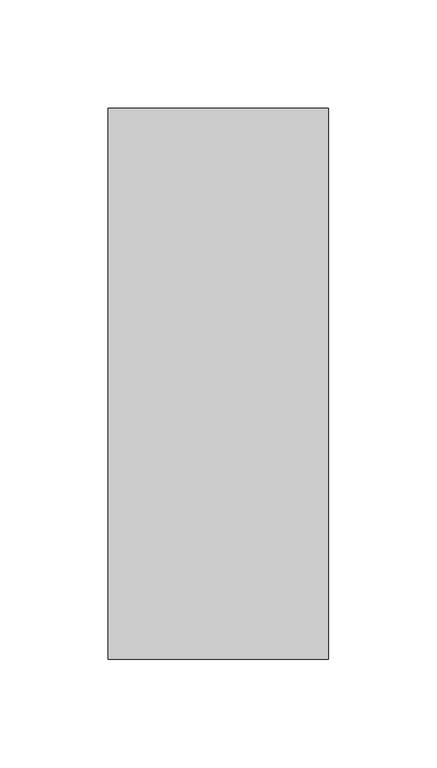
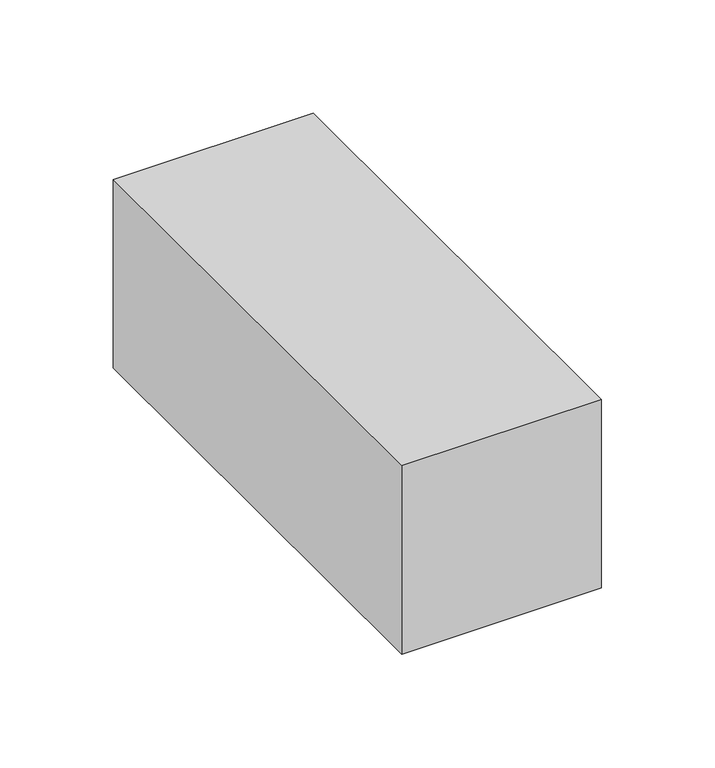
"""IFC4 building model written with IfcOpenShell, lengths in millimetres: proxy geometry."""

from ifc_helpers import new_model, si_unit, point, frame, frame_2d, origin, origin_with_axes, place, context, project, spatial, polyline, circle_curve, trimmed, segment, composite_curve, outline, extrude, source, transform, mapped, element, save
from ifc_brep_helpers import plane_surface, cylinder_surface, revolved_surface, advanced_brep


def specialty_equipment_dfd23612(model_context):
    return source(origin(), model_context, "Body", "SolidModel", [
        extrude(outline(polyline([(-50.8, -254.0), (-50.8, 0.0), (50.8, 0.0), (50.8, -254.0), (-50.8, -254.0)])), origin_with_axes(), (0.0, 0.0, 1.0), 101.6),
        extrude(outline(composite_curve([segment(trimmed(circle_curve(frame_2d((0.0, -43.7511243)), 11.1125), [point((-11.1125, -43.7511243))], [point((11.1125, -43.7511243))], False, "CARTESIAN"), True, "CONTINUOUS"), segment(trimmed(circle_curve(frame_2d((0.0, -43.7511243)), 11.1125), [point((11.1125, -43.7511243))], [point((-11.1125, -43.7511243))], False, "CARTESIAN"), True, "CONTINUOUS")], self_intersect=False)), origin_with_axes(), (0.0, 0.0, 1.0), 12.1432676),
        extrude(outline(composite_curve([segment(trimmed(circle_curve(frame_2d((0.0, -43.7511243)), 6.35), [point((-6.35, -43.7511243))], [point((6.35, -43.7511243))], False, "CARTESIAN"), True, "CONTINUOUS"), segment(trimmed(circle_curve(frame_2d((0.0, -43.7511243)), 6.35), [point((6.35, -43.7511243))], [point((-6.35, -43.7511243))], False, "CARTESIAN"), True, "CONTINUOUS")], self_intersect=False)), frame((0.0, 0.0, 12.1432676), z_axis=(0.0, 0.0, 1.0), x_axis=(1.0, 0.0, 0.0)), (0.0, 0.0, 1.0), 11.6740858),
        extrude(outline(composite_curve([segment(trimmed(circle_curve(frame_2d((0.0, -43.7511243)), 11.1125), [point((-11.1125, -43.7511243))], [point((11.1125, -43.7511243))], False, "CARTESIAN"), True, "CONTINUOUS"), segment(trimmed(circle_curve(frame_2d((0.0, -43.7511243)), 11.1125), [point((11.1125, -43.7511243))], [point((-11.1125, -43.7511243))], False, "CARTESIAN"), True, "CONTINUOUS")], self_intersect=False)), frame((0.0, 0.0, 12.8429111), z_axis=(0.0, 0.0, 1.0), x_axis=(1.0, 0.0, 0.0)), (0.0, 0.0, 1.0), 3.7345018),
        advanced_brep(
        [(0.0, -195.0035492, 41.6430751), (0.0, -195.0035492, 28.9430751), (0.0, -77.2962509, 43.2305751), (0.0, -77.2962509, 27.3555751)],
        [
            (0, 1, circle_curve(frame((0.0, -195.0035492, 35.2930751), z_axis=(0.0, -1.0, 0.0), x_axis=(0.0, 0.0, -1.0)), 6.35)),
            (1, 0, circle_curve(frame((0.0, -195.0035492, 35.2930751), z_axis=(0.0, -1.0, 0.0), x_axis=(0.0, 0.0, 1.0)), 6.35)),
            (2, 3, circle_curve(frame((0.0, -77.2962509, 35.2930751), z_axis=(0.0, 1.0, 0.0), x_axis=(0.0, 0.0, 1.0)), 7.9375)),
            (3, 2, circle_curve(frame((0.0, -77.2962509, 35.2930751), z_axis=(0.0, 1.0, 0.0), x_axis=(0.0, 0.0, -1.0)), 7.9375)),
            (2, 0),
            (1, 3),
        ],
        [
            plane_surface(frame((0.0, -195.0035492, 35.2930751), z_axis=(0.0, -1.0, 0.0), x_axis=(1.0, 0.0, 0.0))),
            plane_surface(frame((0.0, -77.2962509, 35.2930751), z_axis=(0.0, 1.0, 0.0), x_axis=(1.0, 0.0, 0.0))),
            revolved_surface(polyline([(0.0, -195.0035492, 41.64307510053948), (0.0, -77.29625090000002, 43.2305751)]), (0.0, -665.8327426, 35.2930751), (0.0, 1.0, 0.0)),
            revolved_surface(polyline([(0.0, -195.0035492, 28.943075099460525), (0.0, -77.29625090000002, 27.3555751)]), (0.0, -665.8327426, 35.2930751), (0.0, 1.0, 0.0)),
        ],
        [
            (0, [[1, 2]]),
            (1, [[3, 4]]),
            (2, [[5, -2, 6, -3]]),
            (3, [[-6, -1, -5, -4]]),
        ],
    ),
        extrude(outline(composite_curve([segment(trimmed(circle_curve(frame_2d((0.0, -56.2938544)), 15.875), [point((-15.875, -56.2938544))], [point((15.875, -56.2938544))], False, "CARTESIAN"), True, "CONTINUOUS"), segment(trimmed(circle_curve(frame_2d((0.0, -56.2938544)), 15.875), [point((15.875, -56.2938544))], [point((-15.875, -56.2938544))], False, "CARTESIAN"), True, "CONTINUOUS")], self_intersect=False)), frame((0.0, 0.0, 73.7139717), z_axis=(0.0, 0.0, 1.0), x_axis=(1.0, 0.0, 0.0)), (0.0, 0.0, 1.0), 9.1021363),
        advanced_brep(
        [(0.0, -197.9462509, 44.8180751), (0.0, -197.9462509, 25.7680751), (0.0, -77.2962509, 46.4055751), (0.0, -77.2962509, 24.1805751)],
        [
            (0, 1, circle_curve(frame((0.0, -197.9462509, 35.2930751), z_axis=(0.0, -1.0, 0.0), x_axis=(0.0, 0.0, -1.0)), 9.525)),
            (1, 0, circle_curve(frame((0.0, -197.9462509, 35.2930751), z_axis=(0.0, -1.0, 0.0), x_axis=(0.0, 0.0, 1.0)), 9.525)),
            (2, 3, circle_curve(frame((0.0, -77.2962509, 35.2930751), z_axis=(0.0, 1.0, 0.0), x_axis=(0.0, 0.0, 1.0)), 11.1125)),
            (3, 2, circle_curve(frame((0.0, -77.2962509, 35.2930751), z_axis=(0.0, 1.0, 0.0), x_axis=(0.0, 0.0, -1.0)), 11.1125)),
            (2, 0),
            (1, 3),
        ],
        [
            plane_surface(frame((0.0, -197.9462509, 35.2930751), z_axis=(0.0, -1.0, 0.0), x_axis=(1.0, 0.0, 0.0))),
            plane_surface(frame((0.0, -77.2962509, 35.2930751), z_axis=(0.0, 1.0, 0.0), x_axis=(1.0, 0.0, 0.0))),
            revolved_surface(polyline([(0.0, -197.9462509, 44.8180751), (0.0, -77.29625090000002, 46.4055751)]), (0.0, -921.8462509, 35.2930751), (0.0, 1.0, 0.0)),
            revolved_surface(polyline([(0.0, -197.9462509, 25.768075099999997), (0.0, -77.29625090000002, 24.1805751)]), (0.0, -921.8462509, 35.2930751), (0.0, 1.0, 0.0)),
        ],
        [
            (0, [[1, 2]]),
            (1, [[3, 4]]),
            (2, [[5, -2, 6, -3]]),
            (3, [[-6, -1, -5, -4]]),
        ],
    ),
        advanced_brep(
        [(16.4405012, -77.2962509, 35.2930751), (0.0, -77.2962509, 35.2930751), (-16.4405012, -77.2962509, 35.2930751), (17.4336479, -76.3031042, 35.2930751), (-17.4336479, -76.3031042, 35.2930751), (17.4336479, -64.5962509, 35.2930751), (-17.4336479, -64.5962509, 35.2930751), (14.6960919, -64.5962509, 35.2930751), (-14.6960919, -64.5962509, 35.2930751), (14.6960919, -63.5321613, 35.2930751), (-14.6960919, -63.5321613, 35.2930751), (15.9348033, -63.5321613, 35.2930751), (-15.9348033, -63.5321613, 35.2930751), (15.9348033, -33.3696613, 35.2930751), (-15.9348033, -33.3696613, 35.2930751), (8.893951, -30.7772209, 35.2930751), (-8.893951, -30.7772209, 35.2930751), (4.4469755, -30.7772209, 35.2930751), (-4.4469755, -30.7772209, 35.2930751), (4.4469755, -25.4, 35.2930751), (-4.4469755, -25.4, 35.2930751), (0.0, -25.4, 35.2930751)],
        [
            (0, 1),
            (1, 2),
            (2, 0, circle_curve(frame((0.0, -77.2962509, 35.2930751), z_axis=(0.0, -1.0, 0.0), x_axis=(-1.0, 0.0, 0.0)), 16.4405012)),
            (0, 2, circle_curve(frame((0.0, -77.2962509, 35.2930751), z_axis=(0.0, -1.0, 0.0), x_axis=(-1.0, 0.0, 0.0)), 16.4405012)),
            (3, 0),
            (2, 4),
            (4, 3, circle_curve(frame((0.0, -76.3031042, 35.2930751), z_axis=(0.0, -1.0, 0.0), x_axis=(-1.0, 0.0, 0.0)), 17.4336479)),
            (3, 4, circle_curve(frame((0.0, -76.3031042, 35.2930751), z_axis=(0.0, -1.0, 0.0), x_axis=(-1.0, 0.0, 0.0)), 17.4336479)),
            (5, 3),
            (4, 6),
            (6, 5, circle_curve(frame((0.0, -64.5962509, 35.2930751), z_axis=(0.0, -1.0, 0.0), x_axis=(-1.0, 0.0, 0.0)), 17.4336479)),
            (5, 6, circle_curve(frame((0.0, -64.5962509, 35.2930751), z_axis=(0.0, -1.0, 0.0), x_axis=(-1.0, 0.0, 0.0)), 17.4336479)),
            (7, 5),
            (6, 8),
            (8, 7, circle_curve(frame((0.0, -64.5962509, 35.2930751), z_axis=(0.0, -1.0, 0.0), x_axis=(-1.0, 0.0, 0.0)), 14.6960919)),
            (7, 8, circle_curve(frame((0.0, -64.5962509, 35.2930751), z_axis=(0.0, -1.0, 0.0), x_axis=(-1.0, 0.0, 0.0)), 14.6960919)),
            (9, 7),
            (8, 10),
            (10, 9, circle_curve(frame((0.0, -63.5321613, 35.2930751), z_axis=(0.0, -1.0, 0.0), x_axis=(-1.0, 0.0, 0.0)), 14.6960919)),
            (9, 10, circle_curve(frame((0.0, -63.5321613, 35.2930751), z_axis=(0.0, -1.0, 0.0), x_axis=(-1.0, 0.0, 0.0)), 14.6960919)),
            (11, 9),
            (10, 12),
            (12, 11, circle_curve(frame((0.0, -63.5321613, 35.2930751), z_axis=(0.0, -1.0, 0.0), x_axis=(-1.0, 0.0, 0.0)), 15.9348033)),
            (11, 12, circle_curve(frame((0.0, -63.5321613, 35.2930751), z_axis=(0.0, -1.0, 0.0), x_axis=(-1.0, 0.0, 0.0)), 15.9348033)),
            (13, 11),
            (12, 14),
            (14, 13, circle_curve(frame((0.0, -33.3696613, 35.2930751), z_axis=(0.0, -1.0, 0.0), x_axis=(-1.0, 0.0, 0.0)), 15.9348033)),
            (13, 14, circle_curve(frame((0.0, -33.3696613, 35.2930751), z_axis=(0.0, -1.0, 0.0), x_axis=(-1.0, 0.0, 0.0)), 15.9348033)),
            (15, 13),
            (14, 16),
            (16, 15, circle_curve(frame((0.0, -30.7772209, 35.2930751), z_axis=(0.0, -1.0, 0.0), x_axis=(-1.0, 0.0, 0.0)), 8.893951)),
            (15, 16, circle_curve(frame((0.0, -30.7772209, 35.2930751), z_axis=(0.0, -1.0, 0.0), x_axis=(-1.0, 0.0, 0.0)), 8.893951)),
            (17, 15),
            (16, 18),
            (18, 17, circle_curve(frame((0.0, -30.7772209, 35.2930751), z_axis=(0.0, -1.0, 0.0), x_axis=(-1.0, 0.0, 0.0)), 4.4469755)),
            (17, 18, circle_curve(frame((0.0, -30.7772209, 35.2930751), z_axis=(0.0, -1.0, 0.0), x_axis=(-1.0, 0.0, 0.0)), 4.4469755)),
            (19, 17),
            (18, 20),
            (20, 19, circle_curve(frame((0.0, -25.4, 35.2930751), z_axis=(0.0, -1.0, 0.0), x_axis=(-1.0, 0.0, 0.0)), 4.4469755)),
            (19, 20, circle_curve(frame((0.0, -25.4, 35.2930751), z_axis=(0.0, -1.0, 0.0), x_axis=(-1.0, 0.0, 0.0)), 4.4469755)),
            (21, 19),
            (20, 21),
        ],
        [
            plane_surface(frame((0.0, -77.2962509, 35.2930751), z_axis=(0.0, -1.0, 0.0), x_axis=(-1.0, 0.0, 0.0))),
            revolved_surface(polyline([(-16.4405012, -77.2962509, 35.2930751), (-17.4336479, -76.3031042, 35.2930751)]), (0.0, -77.2962509, 35.2930751), (0.0, 1.0, 0.0)),
            cylinder_surface(frame((0.0, -77.2962509, 35.2930751), z_axis=(0.0, 1.0, 0.0), x_axis=(-1.0, 0.0, 0.0)), 17.4336479),
            plane_surface(frame((0.0, -64.5962509, 35.2930751), z_axis=(0.0, 1.0, 0.0), x_axis=(-1.0, 0.0, 0.0))),
            cylinder_surface(frame((0.0, -77.2962509, 35.2930751), z_axis=(0.0, 1.0, 0.0), x_axis=(-1.0, 0.0, 0.0)), 14.6960919),
            plane_surface(frame((0.0, -63.5321613, 35.2930751), z_axis=(0.0, -1.0, 0.0), x_axis=(-1.0, 0.0, 0.0))),
            cylinder_surface(frame((0.0, -77.2962509, 35.2930751), z_axis=(0.0, 1.0, 0.0), x_axis=(-1.0, 0.0, 0.0)), 15.9348033),
            revolved_surface(polyline([(-15.9348033, -33.3696613, 35.2930751), (-8.893951, -30.7772209, 35.2930751)]), (0.0, -77.2962509, 35.2930751), (0.0, 1.0, 0.0)),
            plane_surface(frame((0.0, -30.7772209, 35.2930751), z_axis=(0.0, 1.0, 0.0), x_axis=(-1.0, 0.0, 0.0))),
            cylinder_surface(frame((0.0, -77.2962509, 35.2930751), z_axis=(0.0, 1.0, 0.0), x_axis=(-1.0, 0.0, 0.0)), 4.4469755),
            plane_surface(frame((0.0, -25.4, 35.2930751), z_axis=(0.0, 1.0, 0.0), x_axis=(-1.0, 0.0, 0.0))),
        ],
        [
            (0, [[1, 2, 3]]),
            (0, [[-2, -1, 4]]),
            (1, [[5, -3, 6, 7]]),
            (1, [[-6, -4, -5, 8]]),
            (2, [[9, -7, 10, 11]]),
            (2, [[-10, -8, -9, 12]]),
            (3, [[13, -11, 14, 15]]),
            (3, [[-14, -12, -13, 16]]),
            (4, [[17, -15, 18, 19]]),
            (4, [[-18, -16, -17, 20]]),
            (5, [[21, -19, 22, 23]]),
            (5, [[-22, -20, -21, 24]]),
            (6, [[25, -23, 26, 27]]),
            (6, [[-26, -24, -25, 28]]),
            (7, [[29, -27, 30, 31]]),
            (7, [[-30, -28, -29, 32]]),
            (8, [[33, -31, 34, 35]]),
            (8, [[-34, -32, -33, 36]]),
            (9, [[37, -35, 38, 39]]),
            (9, [[-38, -36, -37, 40]]),
            (10, [[41, -39, 42]]),
            (10, [[-42, -40, -41]]),
        ],
    ),
        extrude(outline(composite_curve([segment(trimmed(circle_curve(frame_2d((0.0, -56.2938544)), 4.7625), [point((-4.7625, -56.2938544))], [point((4.7625, -56.2938544))], False, "CARTESIAN"), True, "CONTINUOUS"), segment(trimmed(circle_curve(frame_2d((0.0, -56.2938544)), 4.7625), [point((4.7625, -56.2938544))], [point((-4.7625, -56.2938544))], False, "CARTESIAN"), True, "CONTINUOUS")], self_intersect=False)), frame((0.0, 0.0, 50.024421), z_axis=(0.0, 0.0, 1.0), x_axis=(1.0, 0.0, 0.0)), (0.0, 0.0, 1.0), 33.6662415),
        extrude(outline(polyline([(-4.0213654, -63.2590636), (-8.0427308, -56.2938544), (-4.0213654, -49.3286452), (4.0213654, -49.3286452), (8.0427308, -56.2938544), (4.0213654, -63.2590636), (-4.0213654, -63.2590636)])), frame((0.0, 0.0, 54.0167391), z_axis=(0.0, 0.0, 1.0), x_axis=(1.0, 0.0, 0.0)), (0.0, 0.0, 1.0), 12.0291395),
        advanced_brep(
        [(5.8611698, -21.8455296, 35.2930751), (5.8611698, -25.4, 35.2930751), (-5.8611698, -25.4, 35.2930751), (-5.8611698, -21.8455296, 35.2930751), (2.0092135, 0.0, 35.2930751), (-2.0092135, 0.0, 35.2930751), (0.0, 0.0, 35.2930751), (0.0, -25.4, 35.2930751)],
        [
            (0, 1),
            (1, 2, circle_curve(frame((0.0, -25.4, 35.2930751), z_axis=(0.0, 1.0, 0.0), x_axis=(-1.0, 0.0, 0.0)), 5.8611698)),
            (2, 3),
            (3, 0, circle_curve(frame((0.0, -21.8455296, 35.2930751), z_axis=(0.0, -1.0, 0.0), x_axis=(-1.0, 0.0, 0.0)), 5.8611698)),
            (2, 1, circle_curve(frame((0.0, -25.4, 35.2930751), z_axis=(0.0, 1.0, 0.0), x_axis=(-1.0, 0.0, 0.0)), 5.8611698)),
            (0, 3, circle_curve(frame((0.0, -21.8455296, 35.2930751), z_axis=(0.0, -1.0, 0.0), x_axis=(-1.0, 0.0, 0.0)), 5.8611698)),
            (4, 0),
            (3, 5),
            (5, 4, circle_curve(frame((0.0, 0.0, 35.2930751), z_axis=(0.0, -1.0, 0.0), x_axis=(-1.0, 0.0, 0.0)), 2.0092135)),
            (4, 5, circle_curve(frame((0.0, 0.0, 35.2930751), z_axis=(0.0, -1.0, 0.0), x_axis=(-1.0, 0.0, 0.0)), 2.0092135)),
            (6, 4),
            (5, 6),
            (1, 7),
            (7, 2),
        ],
        [
            cylinder_surface(frame((0.0, -23.4018459, 35.2930751), z_axis=(0.0, 1.0, 0.0), x_axis=(-1.0, 0.0, 0.0)), 5.8611698),
            revolved_surface(polyline([(-5.8611698, -21.8455296, 35.2930751), (-2.0092135, 0.0, 35.2930751)]), (0.0, -23.4018459, 35.2930751), (0.0, 1.0, 0.0)),
            plane_surface(frame((0.0, 0.0, 35.2930751), z_axis=(0.0, 1.0, 0.0), x_axis=(-1.0, 0.0, 0.0))),
            plane_surface(frame((0.0, -25.4, 35.2930751), z_axis=(0.0, -1.0, 0.0), x_axis=(-1.0, 0.0, 0.0))),
        ],
        [
            (0, [[1, 2, 3, 4]]),
            (0, [[-3, 5, -1, 6]]),
            (1, [[7, -4, 8, 9]]),
            (1, [[-8, -6, -7, 10]]),
            (2, [[11, -9, 12]]),
            (2, [[-12, -10, -11]]),
            (3, [[13, 14, -2]]),
            (3, [[-14, -13, -5]]),
        ],
    ),
    ])


if __name__ == "__main__":
    model = new_model("IFC4")
    model_context = context("Model", 3, world=origin())
    ifc_project = project(units=[si_unit("LENGTHUNIT", "METRE", prefix="MILLI")], contexts=[model_context])
    site = spatial("IfcSite", under=ifc_project)
    building = spatial("IfcBuilding", under=site)
    placement = place(None, origin())
    specialty_equipment_shape = specialty_equipment_dfd23612(model_context)
    element("IfcBuildingElementProxy", 1, Name="Specialty Equipment", at=placement, inside=building, context=model_context, shape_type="MappedRepresentation", body=[
        mapped(specialty_equipment_shape, transform((0.0, 0.0, 0.0), x_axis=(1.0, 0.0, 0.0), y_axis=(0.0, 1.0, 0.0), z_axis=(0.0, 0.0, 1.0))),
    ])
    save(model, "model.ifc")
